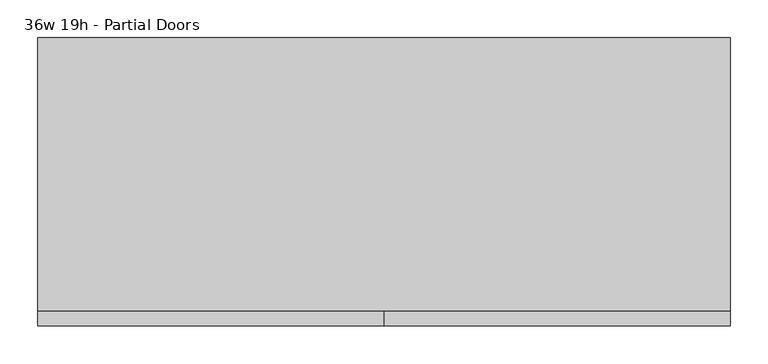
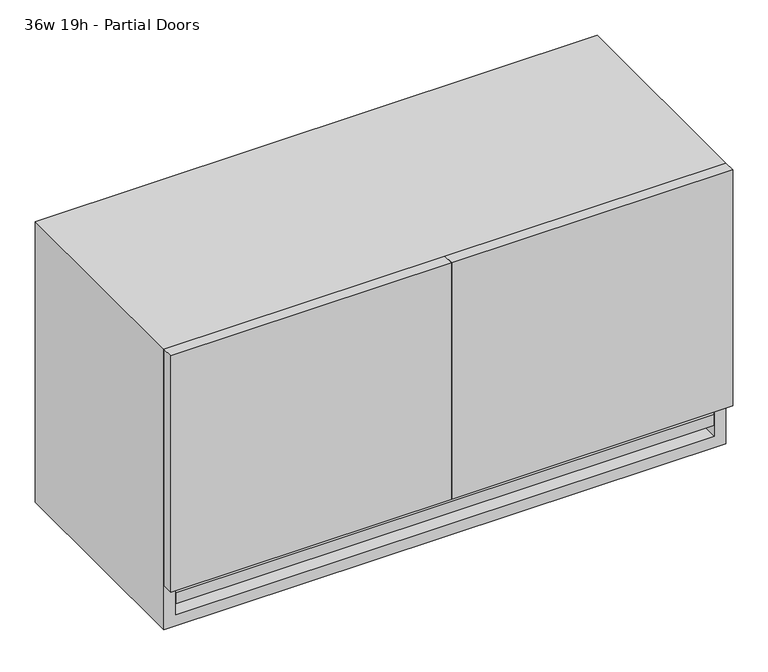
"""IFC4 building model written with IfcOpenShell, lengths in millimetres: furniture geometry, 36w 19h - Partial Doors."""

from ifc_helpers import new_model, si_unit, frame, origin, place, context, project, spatial, polyline, outline, extrude, source, transform, mapped, element, save


def furniture_36w_19h_partial_doors_066836f5(model_context):
    return source(origin(), model_context, "Body", "SweptSolid", [
        extrude(outline(polyline([(438.1569453, 161.925), (438.1569453, -180.975), (-438.1291641, -180.975), (-438.1291641, 161.925), (438.1569453, 161.925)])), frame((0.0, 0.0, 812.8), z_axis=(0.0, 0.0, 1.0), x_axis=(1.0, 0.0, 0.0)), (0.0, 0.0, 1.0), 19.05),
        extrude(outline(polyline([(438.1569453, 161.925), (438.1569453, -180.975), (-438.1291641, -180.975), (-438.1291641, 161.925), (438.1569453, 161.925)])), frame((0.0, 0.0, 774.7), z_axis=(0.0, 0.0, 1.0), x_axis=(1.0, 0.0, 0.0)), (0.0, 0.0, 1.0), 19.05),
        extrude(outline(polyline([(0.0138906, -200.025), (0.0138906, -180.975), (457.2138906, -180.975), (457.2138906, -200.025), (0.0138906, -200.025)])), frame((0.0, 0.0, 812.8), z_axis=(0.0, 0.0, 1.0), x_axis=(1.0, 0.0, 0.0)), (0.0, 0.0, 1.0), 406.4),
        extrude(outline(polyline([(0.0138906, -200.025), (-457.1861094, -200.025), (-457.1861094, -180.975), (0.0138906, -180.975), (0.0138906, -200.025)])), frame((0.0, 0.0, 812.8), z_axis=(0.0, 0.0, 1.0), x_axis=(1.0, 0.0, 0.0)), (0.0, 0.0, 1.0), 406.4),
        extrude(outline(polyline([(736.6, -457.1861094), (736.6, 457.2138906), (1219.2, 457.2138906), (1219.2, -457.1861094), (736.6, -457.1861094)]), holes=[polyline([(755.65, -438.1361094), (1200.15, -438.1361094), (1200.15, 438.1569453), (755.65, 438.1569453), (755.65, -438.1361094)])]), frame((0.0, -180.975, 0.0), z_axis=(0.0, 1.0, 0.0), x_axis=(0.0, 0.0, 1.0)), (0.0, 0.0, 1.0), 361.95),
        extrude(outline(polyline([(-438.1291641, 161.925), (-438.1291641, 180.975), (438.1569453, 180.975), (438.1569453, 161.925), (-438.1291641, 161.925)])), frame((0.0, 0.0, 755.65), z_axis=(0.0, 0.0, 1.0), x_axis=(1.0, 0.0, 0.0)), (0.0, 0.0, 1.0), 444.5),
    ])


if __name__ == "__main__":
    model = new_model("IFC4")
    model_context = context("Model", 3, world=origin())
    ifc_project = project(units=[si_unit("LENGTHUNIT", "METRE", prefix="MILLI")], contexts=[model_context])
    site = spatial("IfcSite", under=ifc_project)
    building = spatial("IfcBuilding", under=site)
    placement = place(None, origin())
    furniture_36w_19h_partial_doors_shape = furniture_36w_19h_partial_doors_066836f5(model_context)
    element("IfcFurniture", 1, ObjectType="36w 19h - Partial Doors", at=placement, inside=building, context=model_context, shape_type="MappedRepresentation", body=[
        mapped(furniture_36w_19h_partial_doors_shape, transform((0.0, 0.0, 0.0), x_axis=(1.0, 0.0, 0.0), y_axis=(0.0, 1.0, 0.0), z_axis=(0.0, 0.0, 1.0))),
    ])
    save(model, "model.ifc")
